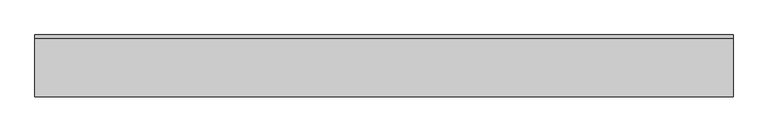
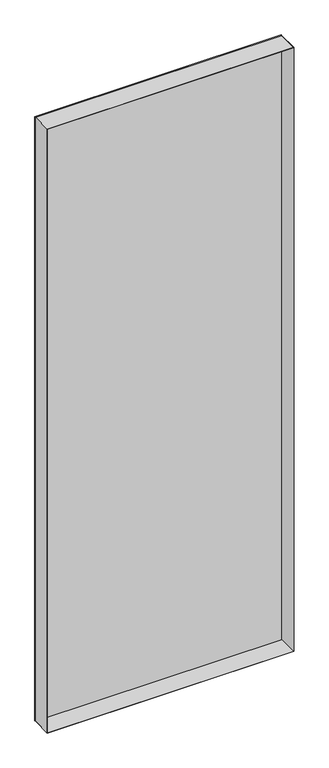
"""IFC4 building model written with IfcOpenShell, lengths in millimetres: plate geometry."""

from ifc_helpers import new_model, si_unit, frame, origin, origin_with_axes, place, context, project, spatial, polyline, outline, extrude, source, transform, mapped, element, save


def plate_84a1e88e(model_context):
    return source(origin(), model_context, "Body", "SweptSolid", [
        extrude(outline(polyline([(2931.0, -566.2857144), (0.0, -566.2857144), (0.0, 566.2857144), (2931.0, 566.2857144), (2931.0, -566.2857144)]), holes=[polyline([(2930.0, -565.2857144), (2930.0, 565.2857144), (1.0, 565.2857144), (1.0, -565.2857144), (2930.0, -565.2857144)])]), frame((0.0, -50.0, 0.0), z_axis=(0.0, 1.0, 0.0), x_axis=(0.0, 0.0, 1.0)), (0.0, 0.0, 1.0), 94.0),
        extrude(outline(polyline([(566.2857144, 44.0), (-566.2857144, 44.0), (-566.2857144, 50.0), (566.2857144, 50.0), (566.2857144, 44.0)])), origin_with_axes(), (0.0, 0.0, 1.0), 2931.0),
    ])


if __name__ == "__main__":
    model = new_model("IFC4")
    model_context = context("Model", 3, world=origin())
    ifc_project = project(units=[si_unit("LENGTHUNIT", "METRE", prefix="MILLI")], contexts=[model_context])
    site = spatial("IfcSite", under=ifc_project)
    building = spatial("IfcBuilding", under=site)
    placement = place(None, origin())
    plate_shape = plate_84a1e88e(model_context)
    element("IfcPlate", 1, at=placement, inside=building, context=model_context, shape_type="MappedRepresentation", body=[
        mapped(plate_shape, transform((0.0, 0.0, 0.0), x_axis=(1.0, 0.0, 0.0), y_axis=(0.0, 1.0, 0.0), z_axis=(0.0, 0.0, 1.0))),
    ])
    save(model, "model.ifc")
